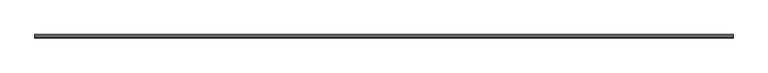
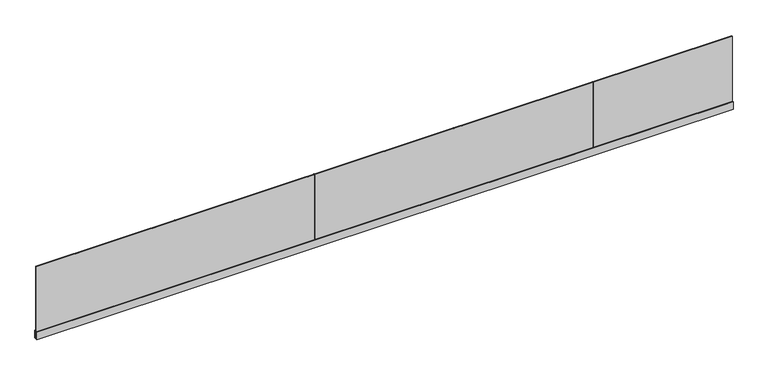
"""IFC4 building model written with IfcOpenShell, lengths in millimetres: railing geometry."""

from ifc_helpers import new_model, si_unit, frame, origin, place, context, project, spatial, polyline, outline, extrude, source, transform, mapped, element, save


def railing_1a5c6336(model_context):
    return source(origin(), model_context, "Body", "SweptSolid", [
        extrude(outline(polyline([(-3061.5739061, 1879.8824508), (-3061.5739061, 1862.3824508), (-13061.5739061, 1862.3824508), (-13061.5739061, 1879.8824508), (-3061.5739061, 1879.8824508)])), frame((0.0, 0.0, 8.0), z_axis=(0.0, 0.0, 1.0), x_axis=(1.0, 0.0, 0.0)), (0.0, 0.0, 1.0), 1092.0),
        extrude(outline(polyline([(1896.1324508, 0.0), (1871.1324508, 0.0), (1846.1324508, 0.0), (1846.1324508, 114.0), (1860.3824508, 114.0), (1860.3824508, 8.0), (1871.1324508, 8.0), (1881.8824508, 8.0), (1881.8824508, 114.0), (1896.1324508, 114.0), (1896.1324508, 0.0)])), frame((-13061.5739061, 0.0, 0.0), z_axis=(1.0, 0.0, 0.0), x_axis=(0.0, 1.0, 0.0)), (0.0, 0.0, 1.0), 10000.0),
        extrude(outline(polyline([(-11063.2405711, 1862.3824508), (-11063.2405711, 1879.8824508), (-11059.9072411, 1879.8824508), (-11059.9072411, 1862.3824508), (-11063.2405711, 1862.3824508)])), frame((0.0, 0.0, 7.9), z_axis=(0.0, 0.0, 1.0), x_axis=(1.0, 0.0, 0.0)), (0.0, 0.0, 1.0), 1092.0),
        extrude(outline(polyline([(-9063.2405711, 1862.3824508), (-9063.2405711, 1879.8824508), (-9059.9072411, 1879.8824508), (-9059.9072411, 1862.3824508), (-9063.2405711, 1862.3824508)])), frame((0.0, 0.0, 7.9), z_axis=(0.0, 0.0, 1.0), x_axis=(1.0, 0.0, 0.0)), (0.0, 0.0, 1.0), 1092.0),
        extrude(outline(polyline([(-7063.2405711, 1862.3824508), (-7063.2405711, 1879.8824508), (-7059.9072411, 1879.8824508), (-7059.9072411, 1862.3824508), (-7063.2405711, 1862.3824508)])), frame((0.0, 0.0, 7.9), z_axis=(0.0, 0.0, 1.0), x_axis=(1.0, 0.0, 0.0)), (0.0, 0.0, 1.0), 1092.0),
        extrude(outline(polyline([(-5063.2405711, 1862.3824508), (-5063.2405711, 1879.8824508), (-5059.9072411, 1879.8824508), (-5059.9072411, 1862.3824508), (-5063.2405711, 1862.3824508)])), frame((0.0, 0.0, 7.9), z_axis=(0.0, 0.0, 1.0), x_axis=(1.0, 0.0, 0.0)), (0.0, 0.0, 1.0), 1092.0),
    ])


if __name__ == "__main__":
    model = new_model("IFC4")
    model_context = context("Model", 3, world=origin())
    ifc_project = project(units=[si_unit("LENGTHUNIT", "METRE", prefix="MILLI")], contexts=[model_context])
    site = spatial("IfcSite", under=ifc_project)
    building = spatial("IfcBuilding", under=site)
    placement = place(None, origin())
    railing_shape = railing_1a5c6336(model_context)
    element("IfcRailing", 1, at=placement, inside=building, context=model_context, shape_type="MappedRepresentation", body=[
        mapped(railing_shape, transform((0.0, 0.0, 0.0), x_axis=(1.0, 0.0, 0.0), y_axis=(0.0, 1.0, 0.0), z_axis=(0.0, 0.0, 1.0))),
    ])
    save(model, "model.ifc")
